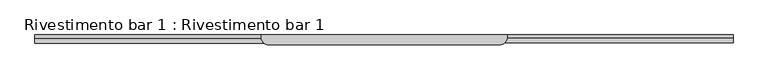
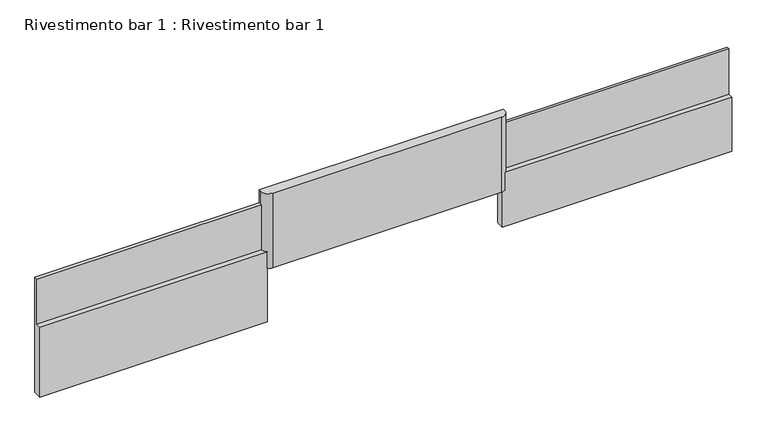
"""IFC4 building model written with IfcOpenShell, lengths in millimetres: furniture geometry, Rivestimento bar 1 : Rivestimento bar 1."""

from ifc_helpers import new_model, si_unit, frame, origin, place, context, project, spatial, circle_curve, source, transform, mapped, element, save
from ifc_brep_helpers import plane_surface, cylinder_surface, advanced_brep


def rivestimento_bar_1_rivestimento_bar_1_9a58f4c4(model_context):
    return source(origin(), model_context, "Body", "AdvancedBrep", [
        advanced_brep(
        [(2528.5413383, 113444.0451789, -263.7701261), (-2662.3170161, 113444.0451789, -263.7701261), (-2662.3170161, 113395.3262416, -263.7701261), (-2500.1410287, 113233.1502542, -263.7701261), (2355.7812468, 113233.1502542, -263.7701261), (2528.5413383, 113405.9103457, -263.7701261), (2355.7812468, 113233.1502542, -1943.7326156), (-2500.1410287, 113233.1502542, -1943.7326156), (-2600.1591437, 113267.664863, -1943.7326156), (-2600.1591437, 113444.0451789, -1943.7326156), (2409.6822207, 113444.0451789, -1943.7326156), (2409.6822207, 113275.3469512, -1943.7326156), (2468.9150138, 113275.3469512, -1943.7326156), (-2662.3170161, 113444.0451789, -553.9252046), (-2662.3170161, 113395.3262416, -553.9252046), (-2660.7243407, 113372.6535529, -553.9252046), (-2660.7243407, 113372.6535529, -1568.3888738), (-2600.1591437, 113267.664863, -1568.3888738), (2468.9150138, 113275.3469512, -1566.3471362), (2527.7125356, 113389.008241, -1566.3471362), (2527.7125356, 113389.008241, -543.395528), (2528.5413383, 113405.9103457, -543.395528), (2528.5413383, 113444.0451789, -543.395528), (-7436.212869, 113266.057973, -1568.3888738), (-2600.1591437, 113266.057973, -1568.3888738), (-7436.212869, 113372.6535529, -1568.3888738), (-7436.212869, 113266.057973, -3145.7270864), (-7436.212869, 113444.0451789, -3145.7270864), (-2600.1591437, 113444.0451789, -3145.7270864), (-2600.1591437, 113266.057973, -3145.7270864), (-7436.212869, 113444.0451789, -553.9252046), (7290.8914352, 113444.0451789, -543.395528), (7290.8914352, 113444.0451789, -2779.9977191), (2409.6822207, 113444.0451789, -2779.9977191), (-7436.212869, 113372.6535529, -553.9252046), (2409.6822207, 113275.3469512, -2779.9977191), (7290.8914352, 113389.008241, -543.395528), (7290.8914352, 113389.008241, -1566.3471362), (7290.8914352, 113275.3469512, -1566.3471362), (7290.8914352, 113275.3469512, -2779.9977191)],
        [
            (0, 1),
            (1, 2),
            (2, 3, circle_curve(frame((-2500.1410287, 113395.3262416, -263.7701261), z_axis=(0.0, 0.0, 1.0), x_axis=(1.0, 0.0, 0.0)), 162.1759874)),
            (3, 4),
            (4, 5, circle_curve(frame((2355.7812468, 113405.9103457, -263.7701261), z_axis=(0.0, 0.0, 1.0), x_axis=(1.0, 0.0, 0.0)), 172.7600916)),
            (5, 0),
            (6, 7),
            (7, 8, circle_curve(frame((-2500.1410287, 113395.3262416, -1943.7326156), z_axis=(0.0, 0.0, -1.0), x_axis=(1.0, 0.0, 0.0)), 162.1759874)),
            (8, 9),
            (9, 10),
            (10, 11),
            (11, 12),
            (12, 6, circle_curve(frame((2355.7812468, 113405.9103457, -1943.7326156), z_axis=(0.0, 0.0, -1.0), x_axis=(1.0, 0.0, 0.0)), 172.7600916)),
            (1, 13),
            (13, 14),
            (14, 2),
            (14, 15, circle_curve(frame((-2500.1410287, 113395.3262416, -553.9252046), z_axis=(0.0, 0.0, 1.0), x_axis=(1.0, 0.0, 0.0)), 162.1759874)),
            (15, 16),
            (16, 17, circle_curve(frame((-2500.1410287, 113395.3262416, -1568.3888738), z_axis=(0.0, 0.0, 1.0), x_axis=(1.0, 0.0, 0.0)), 162.1759874)),
            (17, 8),
            (7, 3),
            (6, 4),
            (12, 18),
            (18, 19, circle_curve(frame((2355.7812468, 113405.9103457, -1566.3471362), z_axis=(0.0, 0.0, 1.0), x_axis=(1.0, 0.0, 0.0)), 172.7600916)),
            (19, 20),
            (20, 21, circle_curve(frame((2355.7812468, 113405.9103457, -543.395528), z_axis=(0.0, 0.0, 1.0), x_axis=(1.0, 0.0, 0.0)), 172.7600916)),
            (21, 5),
            (21, 22),
            (22, 0),
            (23, 24),
            (24, 17),
            (16, 25),
            (25, 23),
            (26, 27),
            (27, 28),
            (28, 29),
            (29, 26),
            (23, 26),
            (29, 24),
            (28, 9),
            (27, 30),
            (30, 13),
            (22, 31),
            (31, 32),
            (32, 33),
            (33, 10),
            (25, 34),
            (34, 30),
            (34, 15),
            (33, 35),
            (35, 11),
            (36, 37),
            (37, 38),
            (38, 39),
            (39, 32),
            (31, 36),
            (20, 36),
            (39, 35),
            (38, 18),
            (37, 19),
        ],
        [
            plane_surface(frame((-11986.7956038, 113444.0451789, -263.7701261), z_axis=(0.0, 0.0, 1.0), x_axis=(-1.0, 0.0, 0.0))),
            plane_surface(frame((-11986.7956038, 113444.0451789, -1943.7326156), z_axis=(0.0, 0.0, -1.0), x_axis=(1.0, 0.0, 0.0))),
            plane_surface(frame((-2662.3170161, 113444.0451789, -263.7701261), z_axis=(-1.0, 0.0, 0.0), x_axis=(0.0, 0.0, -1.0))),
            cylinder_surface(frame((-2500.1410287, 113395.3262416, -1943.7326156), z_axis=(0.0, 0.0, 1.0), x_axis=(1.0, 0.0, 0.0)), 162.1759874),
            plane_surface(frame((-2500.1410287, 113233.1502542, -263.7701261), z_axis=(0.0, -1.0, 0.0), x_axis=(0.0, 0.0, -1.0))),
            cylinder_surface(frame((2355.7812468, 113405.9103457, -1943.7326156), z_axis=(0.0, 0.0, 1.0), x_axis=(1.0, 0.0, 0.0)), 172.7600916),
            plane_surface(frame((2528.5413383, 113405.9103457, -263.7701261), z_axis=(1.0, 0.0, 0.0), x_axis=(0.0, 0.0, -1.0))),
            plane_surface(frame((-2660.7243407, 113266.057973, -1568.3888738), z_axis=(0.0, 0.0, 1.0), x_axis=(1.0, 0.0, 0.0))),
            plane_surface(frame((-2660.7243407, 113266.057973, -3145.7270864), z_axis=(0.0, 0.0, -1.0), x_axis=(-1.0, 0.0, 0.0))),
            plane_surface(frame((-7436.212869, 113266.057973, -1568.3888738), z_axis=(0.0, -1.0, 0.0), x_axis=(0.0, 0.0, -1.0))),
            plane_surface(frame((-2600.1591437, 113266.057973, -1568.3888738), z_axis=(1.0, 0.0, 0.0), x_axis=(0.0, 0.0, -1.0))),
            plane_surface(frame((-2600.1591437, 113444.0451789, -1568.3888738), z_axis=(0.0, 1.0, 0.0), x_axis=(0.0, 0.0, -1.0))),
            plane_surface(frame((-7436.212869, 113444.0451789, -1568.3888738), z_axis=(-1.0, 0.0, 0.0), x_axis=(0.0, 0.0, -1.0))),
            plane_surface(frame((-2660.7243407, 113372.6535529, -553.9252046), z_axis=(0.0, 0.0, 1.0), x_axis=(1.0, 0.0, 0.0))),
            plane_surface(frame((-7436.212869, 113372.6535529, -553.9252046), z_axis=(0.0, -1.0, 0.0), x_axis=(0.0, 0.0, -1.0))),
            plane_surface(frame((2409.6822207, 113444.0451789, -1500.0), z_axis=(-1.0, 0.0, 0.0), x_axis=(0.0, 0.0, 1.0))),
            plane_surface(frame((7290.8914352, 113444.0451789, -1500.0), z_axis=(1.0, 0.0, 0.0), x_axis=(0.0, 0.0, 1.0))),
            plane_surface(frame((2409.6822207, 113389.008241, -543.395528), z_axis=(0.0, 0.0, 1.0), x_axis=(1.0, 0.0, 0.0))),
            plane_surface(frame((2409.6822207, 113444.0451789, -2779.9977191), z_axis=(0.0, 0.0, -1.0), x_axis=(1.0, 0.0, 0.0))),
            plane_surface(frame((2409.6822207, 113275.3469512, -2779.9977191), z_axis=(0.0, -1.0, 0.0), x_axis=(1.0, 0.0, 0.0))),
            plane_surface(frame((2409.6822207, 113275.3469512, -1566.3471362), z_axis=(0.0, 0.0, 1.0), x_axis=(1.0, 0.0, 0.0))),
            plane_surface(frame((2409.6822207, 113389.008241, -1566.3471362), z_axis=(0.0, -1.0, 0.0), x_axis=(1.0, 0.0, 0.0))),
        ],
        [
            (0, [[1, 2, 3, 4, 5, 6]]),
            (1, [[7, 8, 9, 10, 11, 12, 13]]),
            (2, [[-2, 14, 15, 16]]),
            (3, [[-3, -16, 17, 18, 19, 20, -8, 21]]),
            (4, [[-4, -21, -7, 22]]),
            (5, [[-5, -22, -13, 23, 24, 25, 26, 27]]),
            (6, [[-6, -27, 28, 29]]),
            (7, [[30, 31, -19, 32, 33]]),
            (8, [[34, 35, 36, 37]]),
            (9, [[-30, 38, -37, 39]]),
            (10, [[-36, 40, -9, -20, -31, -39]]),
            (11, [[-35, 41, 42, -14, -1, -29, 43, 44, 45, 46, -10, -40]]),
            (12, [[-34, -38, -33, 47, 48, -41]]),
            (13, [[-48, 49, -17, -15, -42]]),
            (14, [[-47, -32, -18, -49]]),
            (15, [[50, 51, -11, -46]]),
            (16, [[52, 53, 54, 55, -44, 56]]),
            (17, [[-56, -43, -28, -26, 57]]),
            (18, [[-50, -45, -55, 58]]),
            (19, [[-54, 59, -23, -12, -51, -58]]),
            (20, [[-53, 60, -24, -59]]),
            (21, [[-52, -57, -25, -60]]),
        ],
    ),
    ])


if __name__ == "__main__":
    model = new_model("IFC4")
    model_context = context("Model", 3, world=origin())
    ifc_project = project(units=[si_unit("LENGTHUNIT", "METRE", prefix="MILLI")], contexts=[model_context])
    site = spatial("IfcSite", under=ifc_project)
    building = spatial("IfcBuilding", under=site)
    placement = place(None, origin())
    rivestimento_bar_1_rivestimento_bar_1_shape = rivestimento_bar_1_rivestimento_bar_1_9a58f4c4(model_context)
    element("IfcFurniture", 1, ObjectType="Rivestimento bar 1 : Rivestimento bar 1", at=placement, inside=building, context=model_context, shape_type="MappedRepresentation", body=[
        mapped(rivestimento_bar_1_rivestimento_bar_1_shape, transform((0.0, 0.0, 0.0), x_axis=(1.0, 0.0, 0.0), y_axis=(0.0, 1.0, 0.0), z_axis=(0.0, 0.0, 1.0))),
    ])
    save(model, "model.ifc")
